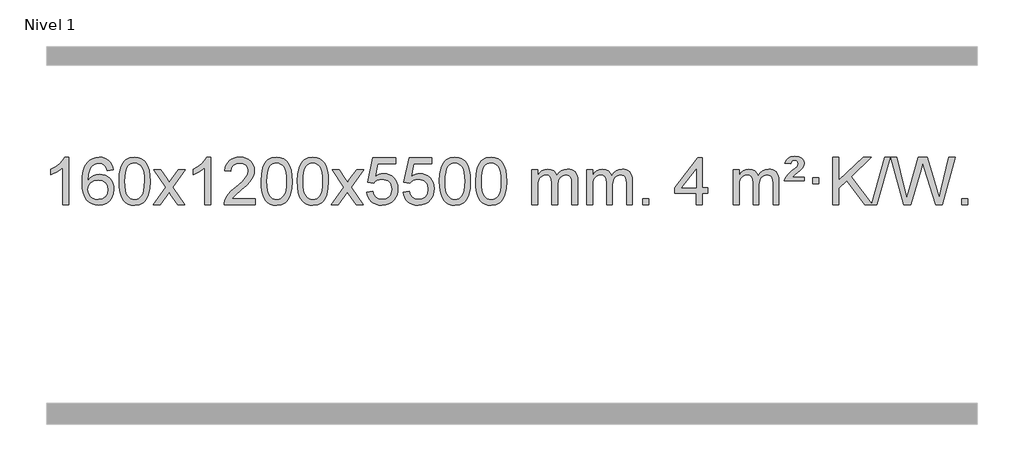
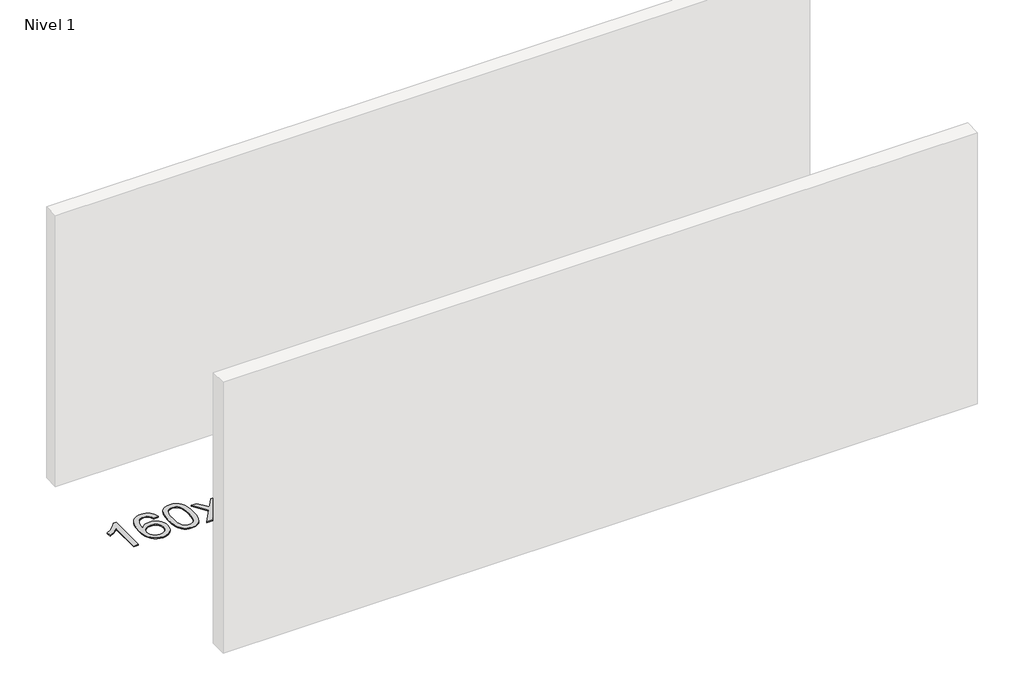
# One storey, part 9 of 14: 1 proxy.
"""IFC4 building model written with IfcOpenShell, lengths in millimetres."""

from ifc_helpers import new_model, si_unit, origin, origin_with_axes, place, context, project, spatial, polyline, outline, extrude, element, save

model = new_model("IFC4")

# Units and contexts
model_context = context("Model", 3, world=origin())
ifc_project = project(units=[si_unit("LENGTHUNIT", "METRE", prefix="MILLI")], contexts=[model_context])

# Site, building, storey
site = spatial("IfcSite", under=ifc_project)
building = spatial("IfcBuilding", under=site)
storey = spatial("IfcBuildingStorey", under=building, Name="Nivel 1", Elevation=0.0)

# Proxy
placement = place(None, origin())
element("IfcBuildingElementProxy", 1, Name="Texto de modelo 1", ObjectType="Texto de modelo 1", at=placement, inside=storey, context=model_context, shape_type="SweptSolid", body=[
    extrude(outline(polyline([(-43.1563615, -12440.579453), (-93.3845166, -12440.579453), (-93.3845166, -12127.4382987), (-114.3537903, -12144.3976587), (-140.9639213, -12161.3324932), (-193.8408268, -12186.6918254), (-193.8408268, -12139.2105225), (-154.3916142, -12117.7507395), (-120.2153768, -12092.219729), (-93.274152, -12065.0700378), (-75.5299771, -12038.7542124), (-43.1563615, -12038.7542124), (-43.1563615, -12440.579453)])), origin_with_axes(), (0.0, 0.0, 1.0), 10.0),
    extrude(outline(polyline([(333.5548015, -12145.4890419), (283.3266464, -12151.7675613), (275.2332425, -12126.874213), (264.2948846, -12109.8780648), (241.5107263, -12094.2062918), (213.9686276, -12088.9823675), (190.6203837, -12092.0235253), (168.6455658, -12101.1469988), (149.7732195, -12120.3627017), (134.3589639, -12146.8134171), (123.9479034, -12184.227016), (120.0851424, -12236.3313693), (140.2328131, -12212.8237098), (164.3781347, -12196.2567573), (191.1722066, -12186.434308), (219.2661283, -12183.1601582), (243.3991872, -12185.398107), (265.6683107, -12192.1119534), (286.0734987, -12203.3016975), (304.6147512, -12218.9673391), (320.0228755, -12238.1769106), (331.0286785, -12259.9984443), (337.6321603, -12284.4319401), (339.8333209, -12311.4773982), (335.6885171, -12347.4439945), (323.2541057, -12380.786366), (303.5601562, -12409.0642287), (277.6367382, -12429.8372987), (246.6610743, -12442.602804), (211.8103866, -12446.8579724), (181.8678579, -12444.0375437), (154.8254655, -12435.5762579), (130.6832096, -12421.4741147), (109.4410901, -12401.7311143), (92.1230451, -12375.5133908), (79.753013, -12341.9870783), (72.3309938, -12301.1521768), (69.8569874, -12253.0086864), (72.6038396, -12199.0342663), (80.8443963, -12152.9693092), (94.5786574, -12114.8138149), (113.8066231, -12084.5677835), (134.6471381, -12064.5243462), (158.8108538, -12050.2076052), (186.2977702, -12041.6175606), (217.1078873, -12038.7542124), (240.2415334, -12040.5261773), (261.1801503, -12045.8420722), (279.923738, -12054.7018969), (296.4722964, -12067.1056515), (310.3782358, -12082.6364031), (321.1939665, -12100.8772186), (328.9194884, -12121.8280983), (333.5548015, -12145.4890419)]), holes=[polyline([(120.0851424, -12310.6925832), (122.9914102, -12332.9494439), (131.7102135, -12354.2007605), (145.2482709, -12372.472233), (162.6123011, -12385.7895612), (183.5693121, -12393.9197533), (207.886312, -12396.6298173), (241.0324797, -12391.0134855), (254.9476162, -12383.9930708), (267.0907877, -12374.1644901), (276.9408281, -12361.9262824), (283.9765713, -12347.6769865), (289.6051658, -12313.1451299), (284.0501477, -12279.9989621), (277.106375, -12266.3781312), (267.3850933, -12254.725469), (255.2051336, -12245.3904634), (240.8853269, -12238.7226022), (205.8261728, -12233.3883133), (172.729056, -12238.7226022), (145.0520672, -12254.725469), (134.1290376, -12266.2248471), (126.3268736, -12279.3858254), (121.6455752, -12294.2084042), (120.0851424, -12310.6925832)])]), origin_with_axes(), (0.0, 0.0, 1.0), 10.0),
    extrude(outline(polyline([(383.7829566, -12242.9041943), (387.4740393, -12178.5861588), (398.5472873, -12127.2911459), (416.8923362, -12088.2343407), (428.7503991, -12073.0009605), (442.3988212, -12060.6309284), (457.8835875, -12051.0598651), (475.2506833, -12044.2233914), (515.6318637, -12038.7542124), (546.5830022, -12041.991574), (574.2967792, -12051.7036586), (597.4733449, -12067.5103217), (614.8128496, -12089.0314184), (627.9094486, -12116.0830078), (638.3572973, -12148.4811488), (645.1999024, -12189.6226186), (647.4807707, -12242.9041943), (643.8264762, -12306.8543477), (632.8635928, -12358.0267333), (614.6289086, -12397.1203266), (602.7984367, -12412.3996922), (589.1592118, -12424.8341036), (573.6560514, -12434.4695462), (556.2337732, -12441.3520052), (515.6318637, -12446.8579724), (487.9671376, -12444.4667394), (463.4416713, -12437.2930405), (442.0554646, -12425.3368757), (423.8085177, -12408.5982449), (406.2973347, -12378.3399508), (393.7893469, -12340.6381776), (386.2845542, -12295.4929255), (383.7829566, -12242.9041943)]), holes=[polyline([(434.0111117, -12242.8060924), (435.4826396, -12286.4706195), (439.8972236, -12321.8148822), (447.2548635, -12348.8388804), (457.5555594, -12367.5426142), (470.0144963, -12380.2682656), (483.8468593, -12389.3580165), (499.0526484, -12394.8118671), (515.6318637, -12396.6298173), (532.2110789, -12394.8057357), (547.416868, -12389.3334911), (561.2492311, -12380.2130833), (573.708168, -12367.4445124), (584.0088638, -12348.7101217), (591.3665037, -12321.6922549), (595.7810877, -12286.3909118), (597.2526157, -12242.8060924), (595.8301386, -12200.2973278), (591.5627075, -12165.5753989), (584.4503222, -12138.6403055), (574.4929829, -12119.4920476), (562.2425125, -12106.1440625), (548.2507339, -12096.6097875), (532.5176472, -12090.8892225), (515.0432525, -12088.9823675), (498.5498764, -12090.6623619), (483.6016046, -12095.7023452), (470.1984373, -12104.1023175), (458.3403743, -12115.8622786), (447.6963219, -12136.708925), (440.0934273, -12164.8151094), (435.5316906, -12200.1808319), (434.0111117, -12242.8060924)])]), origin_with_axes(), (0.0, 0.0, 1.0), 10.0),
    extrude(outline(polyline([(672.5948483, -12440.579453), (779.918289, -12292.2494325), (678.8733677, -12145.4890419), (739.3041167, -12145.4890419), (788.0607438, -12216.122385), (810.8203766, -12249.4770192), (830.5388515, -12222.2047007), (886.0645073, -12145.4890419), (946.4952564, -12145.4890419), (840.3490381, -12292.2494325), (942.5711818, -12440.579453), (882.1404327, -12440.579453), (820.6305631, -12351.4048574), (809.3488486, -12335.1199477), (733.0255973, -12440.579453), (672.5948483, -12440.579453)])), origin_with_axes(), (0.0, 0.0, 1.0), 10.0),
    extrude(outline(polyline([(1162.3193603, -12440.579453), (1112.0912052, -12440.579453), (1112.0912052, -12127.4382987), (1091.1219315, -12144.3976587), (1064.5118005, -12161.3324932), (1011.634895, -12186.6918254), (1011.634895, -12139.2105225), (1051.0841076, -12117.7507395), (1085.260345, -12092.219729), (1112.2015698, -12065.0700378), (1129.9457447, -12038.7542124), (1162.3193603, -12038.7542124), (1162.3193603, -12440.579453)])), origin_with_axes(), (0.0, 0.0, 1.0), 10.0),
    extrude(outline(polyline([(1539.0305233, -12390.3512979), (1539.0305233, -12440.579453), (1275.3327092, -12440.579453), (1276.4363552, -12422.8965918), (1280.7283118, -12405.9494945), (1293.1136723, -12378.8856424), (1311.2379919, -12352.6311307), (1337.4557154, -12325.1503456), (1374.1212876, -12294.4076736), (1428.3225682, -12246.2641831), (1460.8433366, -12210.7267824), (1477.1037208, -12181.884834), (1482.5238489, -12153.8277005), (1477.4102891, -12128.6768347), (1462.0696099, -12107.7688747), (1438.488374, -12093.6789943), (1408.6531442, -12088.9823675), (1377.321861, -12093.5686297), (1352.9803356, -12107.3274163), (1337.2717744, -12129.1796068), (1331.8393836, -12158.0460807), (1281.6112286, -12151.7675613), (1285.9307763, -12125.838012), (1293.7881226, -12103.1826125), (1305.1832674, -12083.8013627), (1320.1162107, -12067.6942627), (1338.243596, -12055.0329907), (1359.2220668, -12045.989225), (1383.051623, -12040.5629655), (1409.7322647, -12038.7542124), (1436.6520297, -12040.7653006), (1460.6103447, -12046.7985654), (1481.6072095, -12056.8540066), (1499.6426244, -12070.9316242), (1514.1279779, -12087.9890861), (1524.474659, -12106.9840598), (1530.6826677, -12127.9165453), (1532.7520039, -12150.7865427), (1530.5201865, -12174.8092369), (1523.8247342, -12198.4149983), (1511.9421457, -12222.4254299), (1494.1489199, -12247.6621347), (1465.7852181, -12277.7916701), (1422.1912016, -12316.4805933), (1364.4092029, -12364.795762), (1341.747672, -12390.3512979), (1539.0305233, -12390.3512979)])), origin_with_axes(), (0.0, 0.0, 1.0), 10.0),
    extrude(outline(polyline([(1589.2586784, -12242.9041943), (1592.9497611, -12178.5861588), (1604.0230091, -12127.2911459), (1622.368058, -12088.2343407), (1634.2261209, -12073.0009605), (1647.874543, -12060.6309284), (1663.3593093, -12051.0598651), (1680.7264051, -12044.2233914), (1721.1075855, -12038.7542124), (1752.058724, -12041.991574), (1779.772501, -12051.7036586), (1802.9490667, -12067.5103217), (1820.2885714, -12089.0314184), (1833.3851704, -12116.0830078), (1843.833019, -12148.4811488), (1850.6756242, -12189.6226186), (1852.9564925, -12242.9041943), (1849.302198, -12306.8543477), (1838.3393146, -12358.0267333), (1820.1046304, -12397.1203266), (1808.2741585, -12412.3996922), (1794.6349336, -12424.8341036), (1779.1317731, -12434.4695462), (1761.709495, -12441.3520052), (1721.1075855, -12446.8579724), (1693.4428594, -12444.4667394), (1668.9173931, -12437.2930405), (1647.5311864, -12425.3368757), (1629.2842395, -12408.5982449), (1611.7730565, -12378.3399508), (1599.2650687, -12340.6381776), (1591.760276, -12295.4929255), (1589.2586784, -12242.9041943)]), holes=[polyline([(1639.4868335, -12242.8060924), (1640.9583614, -12286.4706195), (1645.3729454, -12321.8148822), (1652.7305853, -12348.8388804), (1663.0312812, -12367.5426142), (1675.4902181, -12380.2682656), (1689.3225811, -12389.3580165), (1704.5283702, -12394.8118671), (1721.1075855, -12396.6298173), (1737.6868007, -12394.8057357), (1752.8925898, -12389.3334911), (1766.7249529, -12380.2130833), (1779.1838898, -12367.4445124), (1789.4845856, -12348.7101217), (1796.8422255, -12321.6922549), (1801.2568095, -12286.3909118), (1802.7283375, -12242.8060924), (1801.3058604, -12200.2973278), (1797.0384293, -12165.5753989), (1789.926044, -12138.6403055), (1779.9687047, -12119.4920476), (1767.7182342, -12106.1440625), (1753.7264557, -12096.6097875), (1737.993369, -12090.8892225), (1720.5189743, -12088.9823675), (1704.0255981, -12090.6623619), (1689.0773264, -12095.7023452), (1675.6741591, -12104.1023175), (1663.8160961, -12115.8622786), (1653.1720437, -12136.708925), (1645.5691491, -12164.8151094), (1641.0074124, -12200.1808319), (1639.4868335, -12242.8060924)])]), origin_with_axes(), (0.0, 0.0, 1.0), 10.0),
    extrude(outline(polyline([(1896.9061282, -12242.9041943), (1900.5972109, -12178.5861588), (1911.670459, -12127.2911459), (1930.0155078, -12088.2343407), (1941.8735708, -12073.0009605), (1955.5219928, -12060.6309284), (1971.0067591, -12051.0598651), (1988.373855, -12044.2233914), (2028.7550353, -12038.7542124), (2059.7061738, -12041.991574), (2087.4199508, -12051.7036586), (2110.5965165, -12067.5103217), (2127.9360212, -12089.0314184), (2141.0326202, -12116.0830078), (2151.4804689, -12148.4811488), (2158.323074, -12189.6226186), (2160.6039424, -12242.9041943), (2156.9496479, -12306.8543477), (2145.9867644, -12358.0267333), (2127.7520802, -12397.1203266), (2115.9216084, -12412.3996922), (2102.2823834, -12424.8341036), (2086.779223, -12434.4695462), (2069.3569448, -12441.3520052), (2028.7550353, -12446.8579724), (2001.0903093, -12444.4667394), (1976.5648429, -12437.2930405), (1955.1786363, -12425.3368757), (1936.9316893, -12408.5982449), (1919.4205063, -12378.3399508), (1906.9125185, -12340.6381776), (1899.4077258, -12295.4929255), (1896.9061282, -12242.9041943)]), holes=[polyline([(1947.1342833, -12242.8060924), (1948.6058113, -12286.4706195), (1953.0203952, -12321.8148822), (1960.3780351, -12348.8388804), (1970.678731, -12367.5426142), (1983.1376679, -12380.2682656), (1996.9700309, -12389.3580165), (2012.17582, -12394.8118671), (2028.7550353, -12396.6298173), (2045.3342505, -12394.8057357), (2060.5400397, -12389.3334911), (2074.3724027, -12380.2130833), (2086.8313396, -12367.4445124), (2097.1320355, -12348.7101217), (2104.4896754, -12321.6922549), (2108.9042593, -12286.3909118), (2110.3757873, -12242.8060924), (2108.9533102, -12200.2973278), (2104.6858791, -12165.5753989), (2097.5734939, -12138.6403055), (2087.6161545, -12119.4920476), (2075.3656841, -12106.1440625), (2061.3739055, -12096.6097875), (2045.6408189, -12090.8892225), (2028.1664241, -12088.9823675), (2011.673048, -12090.6623619), (1996.7247762, -12095.7023452), (1983.3216089, -12104.1023175), (1971.4635459, -12115.8622786), (1960.8194935, -12136.708925), (1953.2165989, -12164.8151094), (1948.6548622, -12200.1808319), (1947.1342833, -12242.8060924)])]), origin_with_axes(), (0.0, 0.0, 1.0), 10.0),
    extrude(outline(polyline([(2185.7180199, -12440.579453), (2293.0414606, -12292.2494325), (2191.9965393, -12145.4890419), (2252.4272884, -12145.4890419), (2301.1839155, -12216.122385), (2323.9435482, -12249.4770192), (2343.6620232, -12222.2047007), (2399.187679, -12145.4890419), (2459.618428, -12145.4890419), (2353.4722097, -12292.2494325), (2455.6943534, -12440.579453), (2395.2636044, -12440.579453), (2333.7537348, -12351.4048574), (2322.4720202, -12335.1199477), (2246.148769, -12440.579453), (2185.7180199, -12440.579453)])), origin_with_axes(), (0.0, 0.0, 1.0), 10.0),
    extrude(outline(polyline([(2487.0869503, -12333.8446235), (2537.3151054, -12327.5661041), (2546.5366808, -12357.7201649), (2562.6253867, -12379.3148381), (2585.5076468, -12392.3010725), (2615.1098847, -12396.6298173), (2634.2397484, -12395.1245668), (2651.1132693, -12390.6088153), (2665.7304472, -12383.0825628), (2678.0912822, -12372.5458094), (2687.9198629, -12359.519721), (2694.9402776, -12344.5254641), (2700.5566094, -12308.6324441), (2695.2958969, -12274.8363514), (2688.7200062, -12260.9181493), (2679.5137593, -12248.9865099), (2667.6464993, -12239.4154467), (2653.0875693, -12232.5789729), (2615.8946996, -12227.1097939), (2591.5286488, -12229.2925604), (2571.7979111, -12235.8408599), (2556.040299, -12245.8717757), (2543.5936248, -12258.5023908), (2493.3654697, -12252.2238715), (2537.3151054, -12045.0327318), (2731.9492063, -12045.0327318), (2731.9492063, -12095.2608869), (2577.9292777, -12095.2608869), (2556.4449692, -12205.919791), (2574.17075, -12193.2155994), (2592.3257264, -12184.1411769), (2610.9098986, -12178.6965234), (2629.9232663, -12176.8816388), (2654.3843533, -12179.1318504), (2676.8527462, -12185.882485), (2697.3284449, -12197.1335427), (2715.8114495, -12212.8850234), (2731.1122748, -12232.1743027), (2742.0414357, -12254.038756), (2748.5989323, -12278.4783832), (2750.7847645, -12305.4931844), (2748.8165958, -12331.5147042), (2742.9120898, -12355.7213394), (2733.0712464, -12378.1130902), (2719.2940657, -12398.6899565), (2698.4228938, -12419.7634634), (2674.0691058, -12434.8159684), (2646.2327015, -12443.8474714), (2614.9136809, -12446.8579724), (2588.9933287, -12444.9235262), (2565.5807054, -12439.1201877), (2544.675811, -12429.447957), (2526.2786456, -12415.9068338), (2510.9716889, -12399.1712688), (2499.3374208, -12379.915712), (2491.3758413, -12358.1401636), (2487.0869503, -12333.8446235)])), origin_with_axes(), (0.0, 0.0, 1.0), 10.0),
    extrude(outline(polyline([(2794.7344002, -12333.8446235), (2844.9625553, -12327.5661041), (2854.1841306, -12357.7201649), (2870.2728365, -12379.3148381), (2893.1550966, -12392.3010725), (2922.7573345, -12396.6298173), (2941.8871983, -12395.1245668), (2958.7607191, -12390.6088153), (2973.377897, -12383.0825628), (2985.7387321, -12372.5458094), (2995.5673127, -12359.519721), (3002.5877275, -12344.5254641), (3008.2040592, -12308.6324441), (3002.9433467, -12274.8363514), (2996.3674561, -12260.9181493), (2987.1612091, -12248.9865099), (2975.2939491, -12239.4154467), (2960.7350191, -12232.5789729), (2923.5421494, -12227.1097939), (2899.1760986, -12229.2925604), (2879.4453609, -12235.8408599), (2863.6877488, -12245.8717757), (2851.2410746, -12258.5023908), (2801.0129196, -12252.2238715), (2844.9625553, -12045.0327318), (3039.5966562, -12045.0327318), (3039.5966562, -12095.2608869), (2885.5767275, -12095.2608869), (2864.092419, -12205.919791), (2881.8181998, -12193.2155994), (2899.9731763, -12184.1411769), (2918.5573484, -12178.6965234), (2937.5707162, -12176.8816388), (2962.0318032, -12179.1318504), (2984.500196, -12185.882485), (3004.9758947, -12197.1335427), (3023.4588993, -12212.8850234), (3038.7597246, -12232.1743027), (3049.6888856, -12254.038756), (3056.2463821, -12278.4783832), (3058.4322143, -12305.4931844), (3056.4640457, -12331.5147042), (3050.5595396, -12355.7213394), (3040.7186963, -12378.1130902), (3026.9415155, -12398.6899565), (3006.0703437, -12419.7634634), (2981.7165556, -12434.8159684), (2953.8801513, -12443.8474714), (2922.5611308, -12446.8579724), (2896.6407785, -12444.9235262), (2873.2281552, -12439.1201877), (2852.3232608, -12429.447957), (2833.9260954, -12415.9068338), (2818.6191387, -12399.1712688), (2806.9848706, -12379.915712), (2799.0232911, -12358.1401636), (2794.7344002, -12333.8446235)])), origin_with_axes(), (0.0, 0.0, 1.0), 10.0),
    extrude(outline(polyline([(3102.38185, -12242.9041943), (3106.0729327, -12178.5861588), (3117.1461808, -12127.2911459), (3135.4912296, -12088.2343407), (3147.3492926, -12073.0009605), (3160.9977146, -12060.6309284), (3176.4824809, -12051.0598651), (3193.8495767, -12044.2233914), (3234.2307571, -12038.7542124), (3265.1818956, -12041.991574), (3292.8956726, -12051.7036586), (3316.0722383, -12067.5103217), (3333.411743, -12089.0314184), (3346.508342, -12116.0830078), (3356.9561907, -12148.4811488), (3363.7987958, -12189.6226186), (3366.0796642, -12242.9041943), (3362.4253697, -12306.8543477), (3351.4624862, -12358.0267333), (3333.227802, -12397.1203266), (3321.3973302, -12412.3996922), (3307.7581052, -12424.8341036), (3292.2549448, -12434.4695462), (3274.8326666, -12441.3520052), (3234.2307571, -12446.8579724), (3206.566031, -12444.4667394), (3182.0405647, -12437.2930405), (3160.6543581, -12425.3368757), (3142.4074111, -12408.5982449), (3124.8962281, -12378.3399508), (3112.3882403, -12340.6381776), (3104.8834476, -12295.4929255), (3102.38185, -12242.9041943)]), holes=[polyline([(3152.6100051, -12242.8060924), (3154.0815331, -12286.4706195), (3158.496117, -12321.8148822), (3165.8537569, -12348.8388804), (3176.1544528, -12367.5426142), (3188.6133897, -12380.2682656), (3202.4457527, -12389.3580165), (3217.6515418, -12394.8118671), (3234.2307571, -12396.6298173), (3250.8099723, -12394.8057357), (3266.0157615, -12389.3334911), (3279.8481245, -12380.2130833), (3292.3070614, -12367.4445124), (3302.6077573, -12348.7101217), (3309.9653972, -12321.6922549), (3314.3799811, -12286.3909118), (3315.8515091, -12242.8060924), (3314.429032, -12200.2973278), (3310.1616009, -12165.5753989), (3303.0492157, -12138.6403055), (3293.0918763, -12119.4920476), (3280.8414059, -12106.1440625), (3266.8496273, -12096.6097875), (3251.1165407, -12090.8892225), (3233.6421459, -12088.9823675), (3217.1487698, -12090.6623619), (3202.200498, -12095.7023452), (3188.7973307, -12104.1023175), (3176.9392677, -12115.8622786), (3166.2952153, -12136.708925), (3158.6923207, -12164.8151094), (3154.130584, -12200.1808319), (3152.6100051, -12242.8060924)])]), origin_with_axes(), (0.0, 0.0, 1.0), 10.0),
    extrude(outline(polyline([(3410.0292998, -12242.9041943), (3413.7203825, -12178.5861588), (3424.7936306, -12127.2911459), (3443.1386794, -12088.2343407), (3454.9967424, -12073.0009605), (3468.6451644, -12060.6309284), (3484.1299307, -12051.0598651), (3501.4970266, -12044.2233914), (3541.8782069, -12038.7542124), (3572.8293454, -12041.991574), (3600.5431224, -12051.7036586), (3623.7196881, -12067.5103217), (3641.0591928, -12089.0314184), (3654.1557918, -12116.0830078), (3664.6036405, -12148.4811488), (3671.4462456, -12189.6226186), (3673.727114, -12242.9041943), (3670.0728195, -12306.8543477), (3659.109936, -12358.0267333), (3640.8752518, -12397.1203266), (3629.04478, -12412.3996922), (3615.405555, -12424.8341036), (3599.9023946, -12434.4695462), (3582.4801165, -12441.3520052), (3541.8782069, -12446.8579724), (3514.2134809, -12444.4667394), (3489.6880145, -12437.2930405), (3468.3018079, -12425.3368757), (3450.0548609, -12408.5982449), (3432.543678, -12378.3399508), (3420.0356901, -12340.6381776), (3412.5308974, -12295.4929255), (3410.0292998, -12242.9041943)]), holes=[polyline([(3460.2574549, -12242.8060924), (3461.7289829, -12286.4706195), (3466.1435668, -12321.8148822), (3473.5012067, -12348.8388804), (3483.8019026, -12367.5426142), (3496.2608395, -12380.2682656), (3510.0932025, -12389.3580165), (3525.2989917, -12394.8118671), (3541.8782069, -12396.6298173), (3558.4574222, -12394.8057357), (3573.6632113, -12389.3334911), (3587.4955743, -12380.2130833), (3599.9545112, -12367.4445124), (3610.2552071, -12348.7101217), (3617.612847, -12321.6922549), (3622.0274309, -12286.3909118), (3623.4989589, -12242.8060924), (3622.0764819, -12200.2973278), (3617.8090507, -12165.5753989), (3610.6966655, -12138.6403055), (3600.7393261, -12119.4920476), (3588.4888557, -12106.1440625), (3574.4970772, -12096.6097875), (3558.7639905, -12090.8892225), (3541.2895957, -12088.9823675), (3524.7962196, -12090.6623619), (3509.8479479, -12095.7023452), (3496.4447805, -12104.1023175), (3484.5867175, -12115.8622786), (3473.9426651, -12136.708925), (3466.3397706, -12164.8151094), (3461.7780338, -12200.1808319), (3460.2574549, -12242.8060924)])]), origin_with_axes(), (0.0, 0.0, 1.0), 10.0),
    extrude(outline(polyline([(3887.1967731, -12440.579453), (3887.1967731, -12145.4890419), (3937.4249281, -12145.4890419), (3937.4249281, -12194.0494653), (3952.5326154, -12171.7435537), (3971.9567847, -12154.2691589), (3995.0352486, -12142.9751816), (4021.1058193, -12139.2105225), (4049.0403255, -12143.048758), (4071.4320762, -12154.5634645), (4088.1584443, -12172.9943524), (4099.0968023, -12197.5811324), (4117.4050629, -12172.0439906), (4138.2884975, -12153.803175), (4161.7471061, -12142.8586857), (4187.7808886, -12139.2105225), (4207.8887053, -12140.7280358), (4225.537844, -12145.2805755), (4240.7283047, -12152.8681416), (4253.4600875, -12163.4907342), (4263.5247257, -12177.2709806), (4270.713753, -12194.3315082), (4275.0271694, -12214.6723168), (4276.4649749, -12238.2934066), (4276.4649749, -12440.579453), (4226.2368198, -12440.579453), (4226.2368198, -12259.875817), (4225.0718602, -12234.8230531), (4221.5769812, -12217.9372695), (4215.0286817, -12206.3735121), (4204.7034604, -12197.2868268), (4191.4229203, -12191.4007149), (4176.0086647, -12189.4386776), (4148.7976598, -12194.4663982), (4126.6143755, -12209.54956), (4118.0090025, -12221.1194488), (4111.8623075, -12235.7182326), (4106.9449515, -12274.0024856), (4106.9449515, -12440.579453), (4056.7167964, -12440.579453), (4056.7167964, -12254.2840106), (4053.8105287, -12225.8835206), (4045.0917254, -12205.6254854), (4029.7510462, -12193.4853796), (4006.9791507, -12189.4386776), (3987.6285577, -12192.1364789), (3969.7985437, -12200.2298828), (3955.0832639, -12213.5226856), (3945.0768736, -12231.8186835), (3939.3379145, -12257.2025411), (3937.4249281, -12291.7589232), (3937.4249281, -12440.579453), (3887.1967731, -12440.579453)])), origin_with_axes(), (0.0, 0.0, 1.0), 10.0),
    extrude(outline(polyline([(4351.8072075, -12440.579453), (4351.8072075, -12145.4890419), (4402.0353626, -12145.4890419), (4402.0353626, -12194.0494653), (4417.1430498, -12171.7435537), (4436.5672192, -12154.2691589), (4459.645683, -12142.9751816), (4485.7162537, -12139.2105225), (4513.6507599, -12143.048758), (4536.0425107, -12154.5634645), (4552.7688787, -12172.9943524), (4563.7072367, -12197.5811324), (4582.0154973, -12172.0439906), (4602.8989319, -12153.803175), (4626.3575405, -12142.8586857), (4652.391323, -12139.2105225), (4672.4991397, -12140.7280358), (4690.1482785, -12145.2805755), (4705.3387392, -12152.8681416), (4718.0705219, -12163.4907342), (4728.1351602, -12177.2709806), (4735.3241875, -12194.3315082), (4739.6376039, -12214.6723168), (4741.0754093, -12238.2934066), (4741.0754093, -12440.579453), (4690.8472543, -12440.579453), (4690.8472543, -12259.875817), (4689.6822946, -12234.8230531), (4686.1874157, -12217.9372695), (4679.6391161, -12206.3735121), (4669.3138948, -12197.2868268), (4656.0333548, -12191.4007149), (4640.6190992, -12189.4386776), (4613.4080943, -12194.4663982), (4591.22481, -12209.54956), (4582.619437, -12221.1194488), (4576.472742, -12235.7182326), (4571.555386, -12274.0024856), (4571.555386, -12440.579453), (4521.3272309, -12440.579453), (4521.3272309, -12254.2840106), (4518.4209631, -12225.8835206), (4509.7021598, -12205.6254854), (4494.3614806, -12193.4853796), (4471.5895851, -12189.4386776), (4452.2389922, -12192.1364789), (4434.4089782, -12200.2298828), (4419.6936983, -12213.5226856), (4409.6873081, -12231.8186835), (4403.948349, -12257.2025411), (4402.0353626, -12291.7589232), (4402.0353626, -12440.579453), (4351.8072075, -12440.579453)])), origin_with_axes(), (0.0, 0.0, 1.0), 10.0),
    extrude(outline(polyline([(4828.9746807, -12440.579453), (4828.9746807, -12390.3512979), (4879.2028358, -12390.3512979), (4879.2028358, -12440.579453), (4828.9746807, -12440.579453)])), origin_with_axes(), (0.0, 0.0, 1.0), 10.0),
    extrude(outline(polyline([(5281.0280764, -12440.579453), (5281.0280764, -12346.4016622), (5098.9510142, -12346.4016622), (5098.9510142, -12296.1735072), (5293.5851152, -12045.0327318), (5331.2562315, -12045.0327318), (5331.2562315, -12296.1735072), (5381.4843865, -12296.1735072), (5381.4843865, -12346.4016622), (5331.2562315, -12346.4016622), (5331.2562315, -12440.579453), (5281.0280764, -12440.579453)]), holes=[polyline([(5281.0280764, -12296.1735072), (5281.0280764, -12140.9763561), (5160.7551894, -12296.1735072), (5281.0280764, -12296.1735072)])]), origin_with_axes(), (0.0, 0.0, 1.0), 10.0),
    extrude(outline(polyline([(5594.9540456, -12440.579453), (5594.9540456, -12145.4890419), (5645.1822007, -12145.4890419), (5645.1822007, -12194.0494653), (5660.2898879, -12171.7435537), (5679.7140573, -12154.2691589), (5702.7925211, -12142.9751816), (5728.8630918, -12139.2105225), (5756.797598, -12143.048758), (5779.1893488, -12154.5634645), (5795.9157168, -12172.9943524), (5806.8540748, -12197.5811324), (5825.1623355, -12172.0439906), (5846.04577, -12153.803175), (5869.5043786, -12142.8586857), (5895.5381611, -12139.2105225), (5915.6459778, -12140.7280358), (5933.2951166, -12145.2805755), (5948.4855773, -12152.8681416), (5961.21736, -12163.4907342), (5971.2819983, -12177.2709806), (5978.4710256, -12194.3315082), (5982.784442, -12214.6723168), (5984.2222474, -12238.2934066), (5984.2222474, -12440.579453), (5933.9940924, -12440.579453), (5933.9940924, -12259.875817), (5932.8291327, -12234.8230531), (5929.3342538, -12217.9372695), (5922.7859542, -12206.3735121), (5912.4607329, -12197.2868268), (5899.1801929, -12191.4007149), (5883.7659373, -12189.4386776), (5856.5549324, -12194.4663982), (5834.3716481, -12209.54956), (5825.7662751, -12221.1194488), (5819.6195801, -12235.7182326), (5814.7022241, -12274.0024856), (5814.7022241, -12440.579453), (5764.474069, -12440.579453), (5764.474069, -12254.2840106), (5761.5678012, -12225.8835206), (5752.8489979, -12205.6254854), (5737.5083187, -12193.4853796), (5714.7364232, -12189.4386776), (5695.3858303, -12192.1364789), (5677.5558163, -12200.2298828), (5662.8405364, -12213.5226856), (5652.8341462, -12231.8186835), (5647.0951871, -12257.2025411), (5645.1822007, -12291.7589232), (5645.1822007, -12440.579453), (5594.9540456, -12440.579453)])), origin_with_axes(), (0.0, 0.0, 1.0), 10.0),
    extrude(outline(polyline([(6028.1718831, -12239.6668327), (6031.9978559, -12223.8479069), (6040.3365144, -12207.9799302), (6061.8453484, -12182.8413272), (6093.8020311, -12155.1030247), (6137.9478705, -12117.726214), (6145.0847812, -12106.1992448), (6147.4637514, -12094.3779701), (6145.5752905, -12082.2869152), (6139.9099078, -12072.5012541), (6130.5411796, -12066.026531), (6117.5426825, -12063.8682899), (6105.108271, -12065.4869707), (6096.2545777, -12070.343013), (6089.8289055, -12079.8098431), (6084.6785576, -12095.2608869), (6034.4504025, -12088.9823675), (6045.2906586, -12063.7701881), (6061.9189248, -12046.2099542), (6085.6841017, -12035.9092583), (6117.9350899, -12032.475693), (6153.7177453, -12036.6082341), (6178.4639409, -12049.0058573), (6192.8849151, -12067.3386434), (6197.6919065, -12089.2766731), (6193.5961536, -12112.1834586), (6181.308895, -12133.8149199), (6160.7810797, -12153.6314968), (6124.3117112, -12181.6886303), (6098.7071243, -12208.2742358), (6197.6919065, -12208.2742358), (6197.6919065, -12239.6668327), (6028.1718831, -12239.6668327)])), origin_with_axes(), (0.0, 0.0, 1.0), 10.0),
    extrude(outline(polyline([(6273.0341391, -12264.7809102), (6273.0341391, -12214.5527552), (6323.2622942, -12214.5527552), (6323.2622942, -12264.7809102), (6273.0341391, -12264.7809102)])), origin_with_axes(), (0.0, 0.0, 1.0), 10.0),
    extrude(outline(polyline([(6713.9039221, -12440.579453), (6560.4726047, -12237.9009991), (6492.7823176, -12302.4520265), (6492.7823176, -12440.579453), (6442.5541625, -12440.579453), (6442.5541625, -12038.7542124), (6492.7823176, -12038.7542124), (6492.7823176, -12235.4484525), (6698.7962349, -12038.7542124), (6769.0371705, -12038.7542124), (6596.0835818, -12203.9577537), (6770.7371917, -12434.5349332), (6882.0505194, -12038.7542124), (6927.3735812, -12038.7542124), (6814.3602323, -12440.579453), (6775.3156899, -12440.579453), (6769.0371705, -12440.579453), (6713.9039221, -12440.579453)])), origin_with_axes(), (0.0, 0.0, 1.0), 10.0),
    extrude(outline(polyline([(7041.8584581, -12440.579453), (6932.2786745, -12038.7542124), (6984.0764594, -12038.7542124), (7047.6464682, -12302.844434), (7067.2668412, -12384.3670841), (7088.2606404, -12312.2622131), (7167.9193551, -12038.7542124), (7242.5748747, -12038.7542124), (7300.4549752, -12237.0180823), (7325.2502217, -12310.5944814), (7343.5216941, -12384.3670841), (7362.553456, -12305.1988788), (7426.712076, -12038.7542124), (7478.5098609, -12038.7542124), (7368.8319754, -12440.579453), (7315.170255, -12440.579453), (7218.8342232, -12130.5775584), (7205.3942677, -12087.3146358), (7190.2865804, -12139.4067263), (7102.4854109, -12440.579453), (7041.8584581, -12440.579453)])), origin_with_axes(), (0.0, 0.0, 1.0), 10.0),
    extrude(outline(polyline([(7535.0165354, -12440.579453), (7535.0165354, -12390.3512979), (7585.2446904, -12390.3512979), (7585.2446904, -12440.579453), (7535.0165354, -12440.579453)])), origin_with_axes(), (0.0, 0.0, 1.0), 10.0),
])

save(model, "model.ifc")
